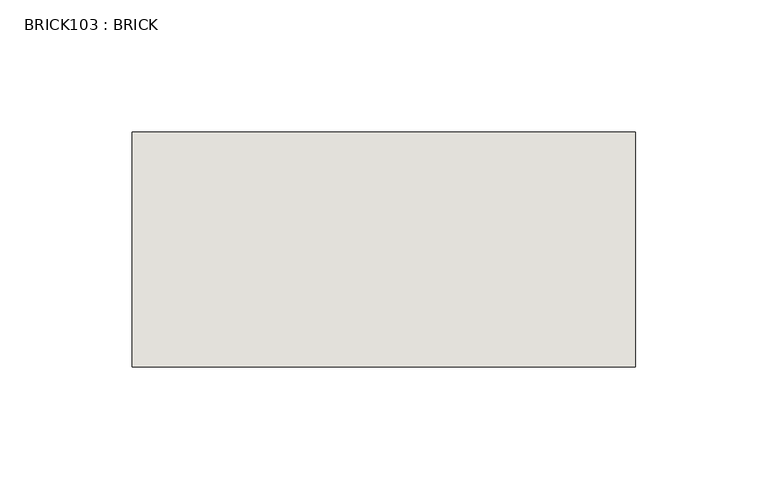
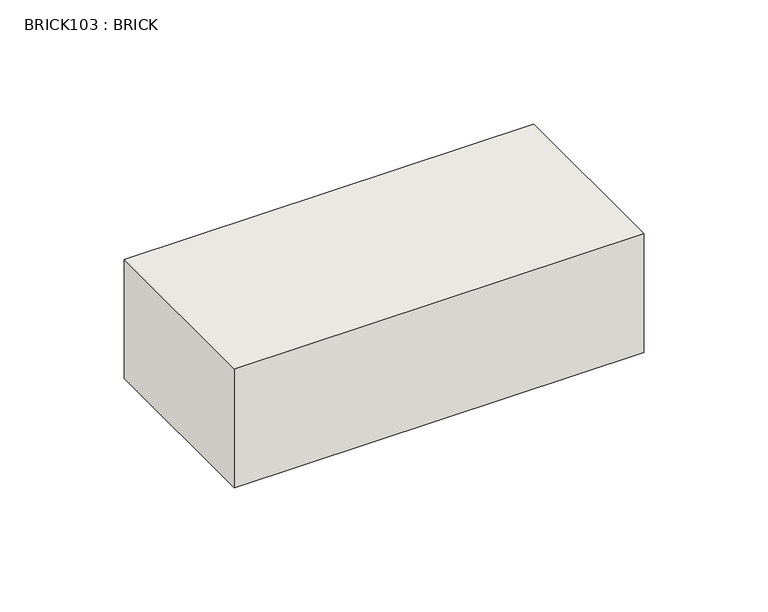
"""IFC4 building model written with IfcOpenShell, lengths in millimetres: wall geometry, BRICK103 : BRICK."""

from ifc_helpers import new_model, si_unit, frame, origin, place, context, project, spatial, polyline, outline, extrude, source, transform, mapped, element, save


def brick103_brick_d6f18901(model_context):
    return source(origin(), model_context, "Body", "SweptSolid", [
        extrude(outline(polyline([(1038.0530711, 2586.2274125), (1228.5530711, 2586.2274125), (1228.5530711, 2497.3274125), (1038.0530711, 2497.3274125), (1038.0530711, 2586.2274125)])), frame((0.0, 0.0, 353.7148438), z_axis=(0.0, 0.0, 1.0), x_axis=(1.0, 0.0, 0.0)), (0.0, 0.0, 1.0), 58.4398437),
    ])


if __name__ == "__main__":
    model = new_model("IFC4")
    model_context = context("Model", 3, world=origin())
    ifc_project = project(units=[si_unit("LENGTHUNIT", "METRE", prefix="MILLI")], contexts=[model_context])
    site = spatial("IfcSite", under=ifc_project)
    building = spatial("IfcBuilding", under=site)
    placement = place(None, origin())
    brick103_brick_shape = brick103_brick_d6f18901(model_context)
    element("IfcWall", 1, ObjectType="BRICK103 : BRICK", at=placement, inside=building, context=model_context, shape_type="MappedRepresentation", body=[
        mapped(brick103_brick_shape, transform((0.0, 0.0, 0.0), x_axis=(1.0, 0.0, 0.0), y_axis=(0.0, 1.0, 0.0), z_axis=(0.0, 0.0, 1.0))),
    ])
    save(model, "model.ifc")
